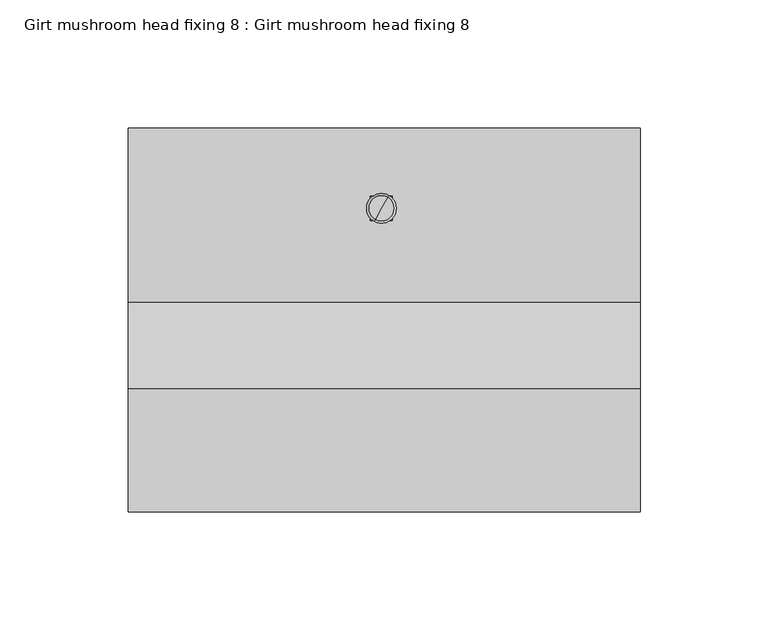
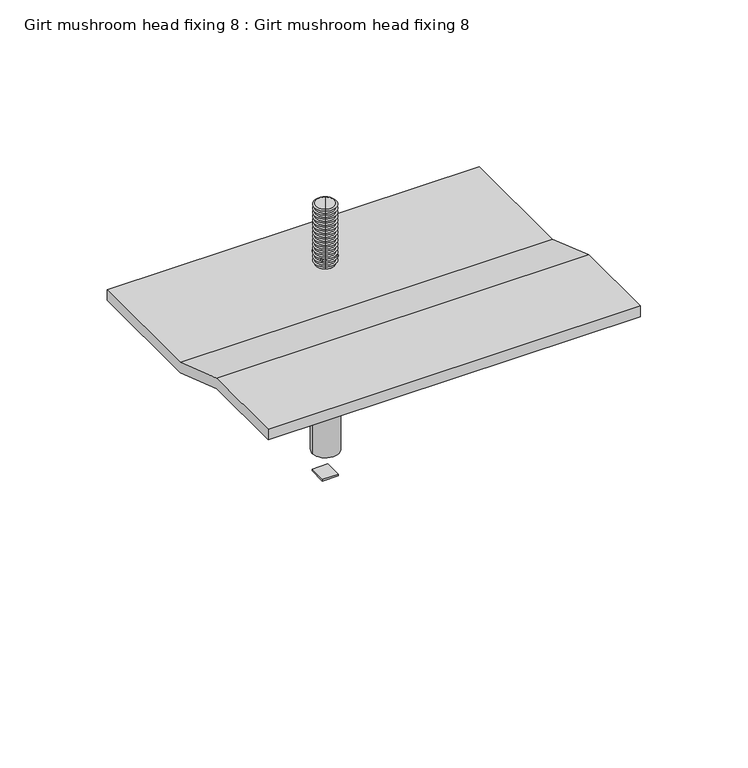
"""IFC4 building model written with IfcOpenShell, lengths in millimetres: proxy geometry, Girt mushroom head fixing 8 : Girt mushroom head fixing 8."""

from ifc_helpers import new_model, si_unit, frame, origin, place, context, project, spatial, polyline, circle_curve, outline, extrude, source, transform, mapped, element, save
from ifc_brep_helpers import plane_surface, cylinder_surface, revolved_surface, advanced_brep


def girt_mushroom_head_fixing_8_girt_mushroom_head_fixing_8_f14998fb(model_context):
    return source(origin(), model_context, "Body", "SolidModel", [
        advanced_brep(
        [(41.9059458, 4.3681823, 39.2693613), (36.0940542, -5.6983094, 39.2693613), (36.5, -4.9951905, 39.791923), (41.5, 3.6650635, 39.791923), (41.5, 3.6650635, 38.8006155), (36.5, -4.9951905, 38.8006155), (41.5, 3.6650635, 37.5216556), (36.5, -4.9951905, 37.5216556), (41.9059458, 4.3681823, 36.9990939), (36.0940542, -5.6983094, 36.9990939), (41.5, 3.6650635, 36.5303481), (36.5, -4.9951905, 36.5303481), (41.5, 3.6650635, 35.2513882), (36.5, -4.9951905, 35.2513882), (41.9059458, 4.3681823, 34.7288265), (36.0940542, -5.6983094, 34.7288265), (41.5, 3.6650635, 34.2600807), (36.5, -4.9951905, 34.2600807), (41.5, 3.6650635, 32.9811208), (36.5, -4.9951905, 32.9811208), (41.9059458, 4.3681823, 32.4585591), (36.0940542, -5.6983094, 32.4585591), (41.5, 3.6650635, 31.9898132), (36.5, -4.9951905, 31.9898132), (41.5, 3.6650635, 30.7108534), (36.5, -4.9951905, 30.7108534), (41.9059458, 4.3681823, 30.1882917), (36.0940542, -5.6983094, 30.1882917), (41.5, 3.6650635, 29.7195458), (36.5, -4.9951905, 29.7195458), (41.5, 3.6650635, 28.440586), (36.5, -4.9951905, 28.440586), (41.9059458, 4.3681823, 27.9180243), (36.0940542, -5.6983094, 27.9180243), (41.5, 3.6650635, 27.4492784), (36.5, -4.9951905, 27.4492784), (41.5, 3.6650635, 26.1703186), (36.5, -4.9951905, 26.1703186), (41.9059458, 4.3681823, 25.6477569), (36.0940542, -5.6983094, 25.6477569), (41.5, 3.6650635, 25.179011), (36.5, -4.9951905, 25.179011), (41.5, 3.6650635, 23.9000512), (36.5, -4.9951905, 23.9000512), (41.9059458, 4.3681823, 23.3774895), (36.0940542, -5.6983094, 23.3774895), (41.5, 3.6650635, 22.9087436), (36.5, -4.9951905, 22.9087436), (41.5, 3.6650635, 21.6297838), (36.5, -4.9951905, 21.6297838), (41.9059458, 4.3681823, 21.1072221), (36.0940542, -5.6983094, 21.1072221), (41.5, 3.6650635, 20.6384762), (36.5, -4.9951905, 20.6384762), (41.5, 3.6650635, 19.3595164), (36.5, -4.9951905, 19.3595164), (41.9059458, 4.3681823, 18.8369547), (36.0940542, -5.6983094, 18.8369547), (41.5, 3.6650635, 18.3682088), (36.5, -4.9951905, 18.3682088), (41.5, 3.6650635, 17.089249), (36.5, -4.9951905, 17.089249), (41.9059458, 4.3681823, 16.5666873), (36.0940542, -5.6983094, 16.5666873), (41.5, 3.6650635, 16.0979414), (36.5, -4.9951905, 16.0979414), (41.5, 3.6650635, 14.8189816), (36.5, -4.9951905, 14.8189816), (41.9059458, 4.3681823, 14.2964199), (36.0940542, -5.6983094, 14.2964199), (41.5, 3.6650635, 13.827674), (36.5, -4.9951905, 13.827674), (41.5, 3.6650635, 12.5487142), (36.5, -4.9951905, 12.5487142), (41.9059458, 4.3681823, 12.0261525), (36.0940542, -5.6983094, 12.0261525), (41.5, 3.6650635, 11.5574066), (36.5, -4.9951905, 11.5574066), (41.5, 3.6650635, 10.2784468), (36.5, -4.9951905, 10.2784468), (41.9059458, 4.3681823, 9.7558851), (36.0940542, -5.6983094, 9.7558851), (39.0, -0.6650635, 39.791923), (41.5, 3.6650635, 9.2871392), (36.5, -4.9951905, 9.2871392), (41.5, 3.6650635, 8.0081794), (36.5, -4.9951905, 8.0081794), (41.9059458, 4.3681823, 7.4856177), (36.0940542, -5.6983094, 7.4856177), (41.5, 3.6650635, 7.0168718), (36.5, -4.9951905, 7.0168718), (41.5, 3.6650635, 5.737912), (36.5, -4.9951905, 5.737912), (41.9059458, 4.3681823, 5.2153503), (36.0940542, -5.6983094, 5.2153503), (41.5, 3.6650635, 4.7466044), (36.5, -4.9951905, 4.7466044), (41.5, 3.6650635, 3.4676446), (36.5, -4.9951905, 3.4676446), (41.9059458, 4.3681823, 2.9450829), (36.0940542, -5.6983094, 2.9450829), (41.5, 3.6650635, 2.476337), (36.5, -4.9951905, 2.476337), (41.5, 3.6650635, 1.1973772), (36.5, -4.9951905, 1.1973772), (41.9059458, 4.3681823, 0.6748155), (36.0940542, -5.6983094, 0.6748155), (41.5, 3.6650635, 0.2060696), (36.5, -4.9951905, 0.2060696), (41.5, 3.6650635, -1.0728902), (36.5, -4.9951905, -1.0728902), (41.9059458, 4.3681823, -1.5954519), (36.0940542, -5.6983094, -1.5954519), (41.5, 3.6650635, -2.0641978), (36.5, -4.9951905, -2.0641978), (41.5, 3.6650635, -3.3431576), (36.5, -4.9951905, -3.3431576), (41.9059458, 4.3681823, -3.8657193), (36.0940542, -5.6983094, -3.8657193), (41.5, 3.6650635, -4.3344652), (36.5, -4.9951905, -4.3344652), (41.5, 3.6650635, -5.613425), (36.5, -4.9951905, -5.613425), (41.9059458, 4.3681823, -6.1359867), (36.0940542, -5.6983094, -6.1359867), (41.5, 3.6650635, -6.6047326), (36.5, -4.9951905, -6.6047326), (41.5, 3.6650635, -7.8836924), (36.5, -4.9951905, -7.8836924), (41.9059458, 4.3681823, -8.4062541), (36.0940542, -5.6983094, -8.4062541), (41.5, 3.6650635, -8.875), (36.5, -4.9951905, -8.875), (39.0, -0.6650635, -8.875)],
        [
            (0, 1, circle_curve(frame((39.0, -0.6650635, 39.2693613), z_axis=(0.0, 0.0, 1.0), x_axis=(-0.5000000000000034, -0.8660254037844367, 0.0)), 5.8118917)),
            (1, 2),
            (2, 3, circle_curve(frame((39.0, -0.6650635, 39.791923), z_axis=(0.0, 0.0, -1.0), x_axis=(-0.5000000000000034, -0.8660254037844367, 0.0)), 5.0)),
            (3, 0),
            (1, 0, circle_curve(frame((39.0, -0.6650635, 39.2693613), z_axis=(0.0, 0.0, 1.0), x_axis=(-0.5000000000000034, -0.8660254037844367, 0.0)), 5.8118917)),
            (3, 2, circle_curve(frame((39.0, -0.6650635, 39.791923), z_axis=(0.0, 0.0, -1.0), x_axis=(-0.5000000000000034, -0.8660254037844367, 0.0)), 5.0)),
            (4, 5, circle_curve(frame((39.0, -0.6650635, 38.8006155), z_axis=(0.0, 0.0, 1.0), x_axis=(-0.5000000000000034, -0.8660254037844367, 0.0)), 5.0)),
            (5, 1),
            (0, 4),
            (5, 4, circle_curve(frame((39.0, -0.6650635, 38.8006155), z_axis=(0.0, 0.0, 1.0), x_axis=(-0.5000000000000034, -0.8660254037844367, 0.0)), 5.0)),
            (6, 7, circle_curve(frame((39.0, -0.6650635, 37.5216556), z_axis=(0.0, 0.0, 1.0), x_axis=(-0.5000000000000034, -0.8660254037844367, 0.0)), 5.0)),
            (7, 5),
            (4, 6),
            (7, 6, circle_curve(frame((39.0, -0.6650635, 37.5216556), z_axis=(0.0, 0.0, 1.0), x_axis=(-0.5000000000000034, -0.8660254037844367, 0.0)), 5.0)),
            (8, 9, circle_curve(frame((39.0, -0.6650635, 36.9990939), z_axis=(0.0, 0.0, 1.0), x_axis=(-0.5000000000000034, -0.8660254037844367, 0.0)), 5.8118917)),
            (9, 7),
            (6, 8),
            (9, 8, circle_curve(frame((39.0, -0.6650635, 36.9990939), z_axis=(0.0, 0.0, 1.0), x_axis=(-0.5000000000000034, -0.8660254037844367, 0.0)), 5.8118917)),
            (10, 11, circle_curve(frame((39.0, -0.6650635, 36.5303481), z_axis=(0.0, 0.0, 1.0), x_axis=(-0.5000000000000034, -0.8660254037844367, 0.0)), 5.0)),
            (11, 9),
            (8, 10),
            (11, 10, circle_curve(frame((39.0, -0.6650635, 36.5303481), z_axis=(0.0, 0.0, 1.0), x_axis=(-0.5000000000000034, -0.8660254037844367, 0.0)), 5.0)),
            (12, 13, circle_curve(frame((39.0, -0.6650635, 35.2513882), z_axis=(0.0, 0.0, 1.0), x_axis=(-0.5000000000000034, -0.8660254037844367, 0.0)), 5.0)),
            (13, 11),
            (10, 12),
            (13, 12, circle_curve(frame((39.0, -0.6650635, 35.2513882), z_axis=(0.0, 0.0, 1.0), x_axis=(-0.5000000000000034, -0.8660254037844367, 0.0)), 5.0)),
            (14, 15, circle_curve(frame((39.0, -0.6650635, 34.7288265), z_axis=(0.0, 0.0, 1.0), x_axis=(-0.5000000000000034, -0.8660254037844367, 0.0)), 5.8118917)),
            (15, 13),
            (12, 14),
            (15, 14, circle_curve(frame((39.0, -0.6650635, 34.7288265), z_axis=(0.0, 0.0, 1.0), x_axis=(-0.5000000000000034, -0.8660254037844367, 0.0)), 5.8118917)),
            (16, 17, circle_curve(frame((39.0, -0.6650635, 34.2600807), z_axis=(0.0, 0.0, 1.0), x_axis=(-0.5000000000000034, -0.8660254037844367, 0.0)), 5.0)),
            (17, 15),
            (14, 16),
            (17, 16, circle_curve(frame((39.0, -0.6650635, 34.2600807), z_axis=(0.0, 0.0, 1.0), x_axis=(-0.5000000000000034, -0.8660254037844367, 0.0)), 5.0)),
            (18, 19, circle_curve(frame((39.0, -0.6650635, 32.9811208), z_axis=(0.0, 0.0, 1.0), x_axis=(-0.5000000000000034, -0.8660254037844367, 0.0)), 5.0)),
            (19, 17),
            (16, 18),
            (19, 18, circle_curve(frame((39.0, -0.6650635, 32.9811208), z_axis=(0.0, 0.0, 1.0), x_axis=(-0.5000000000000034, -0.8660254037844367, 0.0)), 5.0)),
            (20, 21, circle_curve(frame((39.0, -0.6650635, 32.4585591), z_axis=(0.0, 0.0, 1.0), x_axis=(-0.5000000000000034, -0.8660254037844367, 0.0)), 5.8118917)),
            (21, 19),
            (18, 20),
            (21, 20, circle_curve(frame((39.0, -0.6650635, 32.4585591), z_axis=(0.0, 0.0, 1.0), x_axis=(-0.5000000000000034, -0.8660254037844367, 0.0)), 5.8118917)),
            (22, 23, circle_curve(frame((39.0, -0.6650635, 31.9898132), z_axis=(0.0, 0.0, 1.0), x_axis=(-0.5000000000000034, -0.8660254037844367, 0.0)), 5.0)),
            (23, 21),
            (20, 22),
            (23, 22, circle_curve(frame((39.0, -0.6650635, 31.9898132), z_axis=(0.0, 0.0, 1.0), x_axis=(-0.5000000000000034, -0.8660254037844367, 0.0)), 5.0)),
            (24, 25, circle_curve(frame((39.0, -0.6650635, 30.7108534), z_axis=(0.0, 0.0, 1.0), x_axis=(-0.5000000000000034, -0.8660254037844367, 0.0)), 5.0)),
            (25, 23),
            (22, 24),
            (25, 24, circle_curve(frame((39.0, -0.6650635, 30.7108534), z_axis=(0.0, 0.0, 1.0), x_axis=(-0.5000000000000034, -0.8660254037844367, 0.0)), 5.0)),
            (26, 27, circle_curve(frame((39.0, -0.6650635, 30.1882917), z_axis=(0.0, 0.0, 1.0), x_axis=(-0.5000000000000034, -0.8660254037844367, 0.0)), 5.8118917)),
            (27, 25),
            (24, 26),
            (27, 26, circle_curve(frame((39.0, -0.6650635, 30.1882917), z_axis=(0.0, 0.0, 1.0), x_axis=(-0.5000000000000034, -0.8660254037844367, 0.0)), 5.8118917)),
            (28, 29, circle_curve(frame((39.0, -0.6650635, 29.7195458), z_axis=(0.0, 0.0, 1.0), x_axis=(-0.5000000000000034, -0.8660254037844367, 0.0)), 5.0)),
            (29, 27),
            (26, 28),
            (29, 28, circle_curve(frame((39.0, -0.6650635, 29.7195458), z_axis=(0.0, 0.0, 1.0), x_axis=(-0.5000000000000034, -0.8660254037844367, 0.0)), 5.0)),
            (30, 31, circle_curve(frame((39.0, -0.6650635, 28.440586), z_axis=(0.0, 0.0, 1.0), x_axis=(-0.5000000000000034, -0.8660254037844367, 0.0)), 5.0)),
            (31, 29),
            (28, 30),
            (31, 30, circle_curve(frame((39.0, -0.6650635, 28.440586), z_axis=(0.0, 0.0, 1.0), x_axis=(-0.5000000000000034, -0.8660254037844367, 0.0)), 5.0)),
            (32, 33, circle_curve(frame((39.0, -0.6650635, 27.9180243), z_axis=(0.0, 0.0, 1.0), x_axis=(-0.5000000000000034, -0.8660254037844367, 0.0)), 5.8118917)),
            (33, 31),
            (30, 32),
            (33, 32, circle_curve(frame((39.0, -0.6650635, 27.9180243), z_axis=(0.0, 0.0, 1.0), x_axis=(-0.5000000000000034, -0.8660254037844367, 0.0)), 5.8118917)),
            (34, 35, circle_curve(frame((39.0, -0.6650635, 27.4492784), z_axis=(0.0, 0.0, 1.0), x_axis=(-0.5000000000000034, -0.8660254037844367, 0.0)), 5.0)),
            (35, 33),
            (32, 34),
            (35, 34, circle_curve(frame((39.0, -0.6650635, 27.4492784), z_axis=(0.0, 0.0, 1.0), x_axis=(-0.5000000000000034, -0.8660254037844367, 0.0)), 5.0)),
            (36, 37, circle_curve(frame((39.0, -0.6650635, 26.1703186), z_axis=(0.0, 0.0, 1.0), x_axis=(-0.5000000000000034, -0.8660254037844367, 0.0)), 5.0)),
            (37, 35),
            (34, 36),
            (37, 36, circle_curve(frame((39.0, -0.6650635, 26.1703186), z_axis=(0.0, 0.0, 1.0), x_axis=(-0.5000000000000034, -0.8660254037844367, 0.0)), 5.0)),
            (38, 39, circle_curve(frame((39.0, -0.6650635, 25.6477569), z_axis=(0.0, 0.0, 1.0), x_axis=(-0.5000000000000034, -0.8660254037844367, 0.0)), 5.8118917)),
            (39, 37),
            (36, 38),
            (39, 38, circle_curve(frame((39.0, -0.6650635, 25.6477569), z_axis=(0.0, 0.0, 1.0), x_axis=(-0.5000000000000034, -0.8660254037844367, 0.0)), 5.8118917)),
            (40, 41, circle_curve(frame((39.0, -0.6650635, 25.179011), z_axis=(0.0, 0.0, 1.0), x_axis=(-0.5000000000000034, -0.8660254037844367, 0.0)), 5.0)),
            (41, 39),
            (38, 40),
            (41, 40, circle_curve(frame((39.0, -0.6650635, 25.179011), z_axis=(0.0, 0.0, 1.0), x_axis=(-0.5000000000000034, -0.8660254037844367, 0.0)), 5.0)),
            (42, 43, circle_curve(frame((39.0, -0.6650635, 23.9000512), z_axis=(0.0, 0.0, 1.0), x_axis=(-0.5000000000000034, -0.8660254037844367, 0.0)), 5.0)),
            (43, 41),
            (40, 42),
            (43, 42, circle_curve(frame((39.0, -0.6650635, 23.9000512), z_axis=(0.0, 0.0, 1.0), x_axis=(-0.5000000000000034, -0.8660254037844367, 0.0)), 5.0)),
            (44, 45, circle_curve(frame((39.0, -0.6650635, 23.3774895), z_axis=(0.0, 0.0, 1.0), x_axis=(-0.5000000000000034, -0.8660254037844367, 0.0)), 5.8118917)),
            (45, 43),
            (42, 44),
            (45, 44, circle_curve(frame((39.0, -0.6650635, 23.3774895), z_axis=(0.0, 0.0, 1.0), x_axis=(-0.5000000000000034, -0.8660254037844367, 0.0)), 5.8118917)),
            (46, 47, circle_curve(frame((39.0, -0.6650635, 22.9087436), z_axis=(0.0, 0.0, 1.0), x_axis=(-0.5000000000000034, -0.8660254037844367, 0.0)), 5.0)),
            (47, 45),
            (44, 46),
            (47, 46, circle_curve(frame((39.0, -0.6650635, 22.9087436), z_axis=(0.0, 0.0, 1.0), x_axis=(-0.5000000000000034, -0.8660254037844367, 0.0)), 5.0)),
            (48, 49, circle_curve(frame((39.0, -0.6650635, 21.6297838), z_axis=(0.0, 0.0, 1.0), x_axis=(-0.5000000000000034, -0.8660254037844367, 0.0)), 5.0)),
            (49, 47),
            (46, 48),
            (49, 48, circle_curve(frame((39.0, -0.6650635, 21.6297838), z_axis=(0.0, 0.0, 1.0), x_axis=(-0.5000000000000034, -0.8660254037844367, 0.0)), 5.0)),
            (50, 51, circle_curve(frame((39.0, -0.6650635, 21.1072221), z_axis=(0.0, 0.0, 1.0), x_axis=(-0.5000000000000034, -0.8660254037844367, 0.0)), 5.8118917)),
            (51, 49),
            (48, 50),
            (51, 50, circle_curve(frame((39.0, -0.6650635, 21.1072221), z_axis=(0.0, 0.0, 1.0), x_axis=(-0.5000000000000034, -0.8660254037844367, 0.0)), 5.8118917)),
            (52, 53, circle_curve(frame((39.0, -0.6650635, 20.6384762), z_axis=(0.0, 0.0, 1.0), x_axis=(-0.5000000000000034, -0.8660254037844367, 0.0)), 5.0)),
            (53, 51),
            (50, 52),
            (53, 52, circle_curve(frame((39.0, -0.6650635, 20.6384762), z_axis=(0.0, 0.0, 1.0), x_axis=(-0.5000000000000034, -0.8660254037844367, 0.0)), 5.0)),
            (54, 55, circle_curve(frame((39.0, -0.6650635, 19.3595164), z_axis=(0.0, 0.0, 1.0), x_axis=(-0.5000000000000034, -0.8660254037844367, 0.0)), 5.0)),
            (55, 53),
            (52, 54),
            (55, 54, circle_curve(frame((39.0, -0.6650635, 19.3595164), z_axis=(0.0, 0.0, 1.0), x_axis=(-0.5000000000000034, -0.8660254037844367, 0.0)), 5.0)),
            (56, 57, circle_curve(frame((39.0, -0.6650635, 18.8369547), z_axis=(0.0, 0.0, 1.0), x_axis=(-0.5000000000000034, -0.8660254037844367, 0.0)), 5.8118917)),
            (57, 55),
            (54, 56),
            (57, 56, circle_curve(frame((39.0, -0.6650635, 18.8369547), z_axis=(0.0, 0.0, 1.0), x_axis=(-0.5000000000000034, -0.8660254037844367, 0.0)), 5.8118917)),
            (58, 59, circle_curve(frame((39.0, -0.6650635, 18.3682088), z_axis=(0.0, 0.0, 1.0), x_axis=(-0.5000000000000034, -0.8660254037844367, 0.0)), 5.0)),
            (59, 57),
            (56, 58),
            (59, 58, circle_curve(frame((39.0, -0.6650635, 18.3682088), z_axis=(0.0, 0.0, 1.0), x_axis=(-0.5000000000000034, -0.8660254037844367, 0.0)), 5.0)),
            (60, 61, circle_curve(frame((39.0, -0.6650635, 17.089249), z_axis=(0.0, 0.0, 1.0), x_axis=(-0.5000000000000034, -0.8660254037844367, 0.0)), 5.0)),
            (61, 59),
            (58, 60),
            (61, 60, circle_curve(frame((39.0, -0.6650635, 17.089249), z_axis=(0.0, 0.0, 1.0), x_axis=(-0.5000000000000034, -0.8660254037844367, 0.0)), 5.0)),
            (62, 63, circle_curve(frame((39.0, -0.6650635, 16.5666873), z_axis=(0.0, 0.0, 1.0), x_axis=(-0.5000000000000034, -0.8660254037844367, 0.0)), 5.8118917)),
            (63, 61),
            (60, 62),
            (63, 62, circle_curve(frame((39.0, -0.6650635, 16.5666873), z_axis=(0.0, 0.0, 1.0), x_axis=(-0.5000000000000034, -0.8660254037844367, 0.0)), 5.8118917)),
            (64, 65, circle_curve(frame((39.0, -0.6650635, 16.0979414), z_axis=(0.0, 0.0, 1.0), x_axis=(-0.5000000000000034, -0.8660254037844367, 0.0)), 5.0)),
            (65, 63),
            (62, 64),
            (65, 64, circle_curve(frame((39.0, -0.6650635, 16.0979414), z_axis=(0.0, 0.0, 1.0), x_axis=(-0.5000000000000034, -0.8660254037844367, 0.0)), 5.0)),
            (66, 67, circle_curve(frame((39.0, -0.6650635, 14.8189816), z_axis=(0.0, 0.0, 1.0), x_axis=(-0.5000000000000034, -0.8660254037844367, 0.0)), 5.0)),
            (67, 65),
            (64, 66),
            (67, 66, circle_curve(frame((39.0, -0.6650635, 14.8189816), z_axis=(0.0, 0.0, 1.0), x_axis=(-0.5000000000000034, -0.8660254037844367, 0.0)), 5.0)),
            (68, 69, circle_curve(frame((39.0, -0.6650635, 14.2964199), z_axis=(0.0, 0.0, 1.0), x_axis=(-0.5000000000000034, -0.8660254037844367, 0.0)), 5.8118917)),
            (69, 67),
            (66, 68),
            (69, 68, circle_curve(frame((39.0, -0.6650635, 14.2964199), z_axis=(0.0, 0.0, 1.0), x_axis=(-0.5000000000000034, -0.8660254037844367, 0.0)), 5.8118917)),
            (70, 71, circle_curve(frame((39.0, -0.6650635, 13.827674), z_axis=(0.0, 0.0, 1.0), x_axis=(-0.5000000000000034, -0.8660254037844367, 0.0)), 5.0)),
            (71, 69),
            (68, 70),
            (71, 70, circle_curve(frame((39.0, -0.6650635, 13.827674), z_axis=(0.0, 0.0, 1.0), x_axis=(-0.5000000000000034, -0.8660254037844367, 0.0)), 5.0)),
            (72, 73, circle_curve(frame((39.0, -0.6650635, 12.5487142), z_axis=(0.0, 0.0, 1.0), x_axis=(-0.5000000000000034, -0.8660254037844367, 0.0)), 5.0)),
            (73, 71),
            (70, 72),
            (73, 72, circle_curve(frame((39.0, -0.6650635, 12.5487142), z_axis=(0.0, 0.0, 1.0), x_axis=(-0.5000000000000034, -0.8660254037844367, 0.0)), 5.0)),
            (74, 75, circle_curve(frame((39.0, -0.6650635, 12.0261525), z_axis=(0.0, 0.0, 1.0), x_axis=(-0.5000000000000034, -0.8660254037844367, 0.0)), 5.8118917)),
            (75, 73),
            (72, 74),
            (75, 74, circle_curve(frame((39.0, -0.6650635, 12.0261525), z_axis=(0.0, 0.0, 1.0), x_axis=(-0.5000000000000034, -0.8660254037844367, 0.0)), 5.8118917)),
            (76, 77, circle_curve(frame((39.0, -0.6650635, 11.5574066), z_axis=(0.0, 0.0, 1.0), x_axis=(-0.5000000000000034, -0.8660254037844367, 0.0)), 5.0)),
            (77, 75),
            (74, 76),
            (77, 76, circle_curve(frame((39.0, -0.6650635, 11.5574066), z_axis=(0.0, 0.0, 1.0), x_axis=(-0.5000000000000034, -0.8660254037844367, 0.0)), 5.0)),
            (78, 79, circle_curve(frame((39.0, -0.6650635, 10.2784468), z_axis=(0.0, 0.0, 1.0), x_axis=(-0.5000000000000034, -0.8660254037844367, 0.0)), 5.0)),
            (79, 77),
            (76, 78),
            (79, 78, circle_curve(frame((39.0, -0.6650635, 10.2784468), z_axis=(0.0, 0.0, 1.0), x_axis=(-0.5000000000000034, -0.8660254037844367, 0.0)), 5.0)),
            (80, 81, circle_curve(frame((39.0, -0.6650635, 9.7558851), z_axis=(0.0, 0.0, 1.0), x_axis=(-0.5000000000000034, -0.8660254037844367, 0.0)), 5.8118917)),
            (81, 79),
            (78, 80),
            (81, 80, circle_curve(frame((39.0, -0.6650635, 9.7558851), z_axis=(0.0, 0.0, 1.0), x_axis=(-0.5000000000000034, -0.8660254037844367, 0.0)), 5.8118917)),
            (2, 82),
            (82, 3),
            (83, 84, circle_curve(frame((39.0, -0.6650635, 9.2871392), z_axis=(0.0, 0.0, 1.0), x_axis=(-0.5000000000000034, -0.8660254037844367, 0.0)), 5.0)),
            (84, 81),
            (80, 83),
            (84, 83, circle_curve(frame((39.0, -0.6650635, 9.2871392), z_axis=(0.0, 0.0, 1.0), x_axis=(-0.5000000000000034, -0.8660254037844367, 0.0)), 5.0)),
            (85, 86, circle_curve(frame((39.0, -0.6650635, 8.0081794), z_axis=(0.0, 0.0, 1.0), x_axis=(-0.5000000000000034, -0.8660254037844367, 0.0)), 5.0)),
            (86, 84),
            (83, 85),
            (86, 85, circle_curve(frame((39.0, -0.6650635, 8.0081794), z_axis=(0.0, 0.0, 1.0), x_axis=(-0.5000000000000034, -0.8660254037844367, 0.0)), 5.0)),
            (87, 88, circle_curve(frame((39.0, -0.6650635, 7.4856177), z_axis=(0.0, 0.0, 1.0), x_axis=(-0.5000000000000034, -0.8660254037844367, 0.0)), 5.8118917)),
            (88, 86),
            (85, 87),
            (88, 87, circle_curve(frame((39.0, -0.6650635, 7.4856177), z_axis=(0.0, 0.0, 1.0), x_axis=(-0.5000000000000034, -0.8660254037844367, 0.0)), 5.8118917)),
            (89, 90, circle_curve(frame((39.0, -0.6650635, 7.0168718), z_axis=(0.0, 0.0, 1.0), x_axis=(-0.5000000000000034, -0.8660254037844367, 0.0)), 5.0)),
            (90, 88),
            (87, 89),
            (90, 89, circle_curve(frame((39.0, -0.6650635, 7.0168718), z_axis=(0.0, 0.0, 1.0), x_axis=(-0.5000000000000034, -0.8660254037844367, 0.0)), 5.0)),
            (91, 92, circle_curve(frame((39.0, -0.6650635, 5.737912), z_axis=(0.0, 0.0, 1.0), x_axis=(-0.5000000000000034, -0.8660254037844367, 0.0)), 5.0)),
            (92, 90),
            (89, 91),
            (92, 91, circle_curve(frame((39.0, -0.6650635, 5.737912), z_axis=(0.0, 0.0, 1.0), x_axis=(-0.5000000000000034, -0.8660254037844367, 0.0)), 5.0)),
            (93, 94, circle_curve(frame((39.0, -0.6650635, 5.2153503), z_axis=(0.0, 0.0, 1.0), x_axis=(-0.5000000000000034, -0.8660254037844367, 0.0)), 5.8118917)),
            (94, 92),
            (91, 93),
            (94, 93, circle_curve(frame((39.0, -0.6650635, 5.2153503), z_axis=(0.0, 0.0, 1.0), x_axis=(-0.5000000000000034, -0.8660254037844367, 0.0)), 5.8118917)),
            (95, 96, circle_curve(frame((39.0, -0.6650635, 4.7466044), z_axis=(0.0, 0.0, 1.0), x_axis=(-0.5000000000000034, -0.8660254037844367, 0.0)), 5.0)),
            (96, 94),
            (93, 95),
            (96, 95, circle_curve(frame((39.0, -0.6650635, 4.7466044), z_axis=(0.0, 0.0, 1.0), x_axis=(-0.5000000000000034, -0.8660254037844367, 0.0)), 5.0)),
            (97, 98, circle_curve(frame((39.0, -0.6650635, 3.4676446), z_axis=(0.0, 0.0, 1.0), x_axis=(-0.5000000000000034, -0.8660254037844367, 0.0)), 5.0)),
            (98, 96),
            (95, 97),
            (98, 97, circle_curve(frame((39.0, -0.6650635, 3.4676446), z_axis=(0.0, 0.0, 1.0), x_axis=(-0.5000000000000034, -0.8660254037844367, 0.0)), 5.0)),
            (99, 100, circle_curve(frame((39.0, -0.6650635, 2.9450829), z_axis=(0.0, 0.0, 1.0), x_axis=(-0.5000000000000034, -0.8660254037844367, 0.0)), 5.8118917)),
            (100, 98),
            (97, 99),
            (100, 99, circle_curve(frame((39.0, -0.6650635, 2.9450829), z_axis=(0.0, 0.0, 1.0), x_axis=(-0.5000000000000034, -0.8660254037844367, 0.0)), 5.8118917)),
            (101, 102, circle_curve(frame((39.0, -0.6650635, 2.476337), z_axis=(0.0, 0.0, 1.0), x_axis=(-0.5000000000000034, -0.8660254037844367, 0.0)), 5.0)),
            (102, 100),
            (99, 101),
            (102, 101, circle_curve(frame((39.0, -0.6650635, 2.476337), z_axis=(0.0, 0.0, 1.0), x_axis=(-0.5000000000000034, -0.8660254037844367, 0.0)), 5.0)),
            (103, 104, circle_curve(frame((39.0, -0.6650635, 1.1973772), z_axis=(0.0, 0.0, 1.0), x_axis=(-0.5000000000000034, -0.8660254037844367, 0.0)), 5.0)),
            (104, 102),
            (101, 103),
            (104, 103, circle_curve(frame((39.0, -0.6650635, 1.1973772), z_axis=(0.0, 0.0, 1.0), x_axis=(-0.5000000000000034, -0.8660254037844367, 0.0)), 5.0)),
            (105, 106, circle_curve(frame((39.0, -0.6650635, 0.6748155), z_axis=(0.0, 0.0, 1.0), x_axis=(-0.5000000000000034, -0.8660254037844367, 0.0)), 5.8118917)),
            (106, 104),
            (103, 105),
            (106, 105, circle_curve(frame((39.0, -0.6650635, 0.6748155), z_axis=(0.0, 0.0, 1.0), x_axis=(-0.5000000000000034, -0.8660254037844367, 0.0)), 5.8118917)),
            (107, 108, circle_curve(frame((39.0, -0.6650635, 0.2060696), z_axis=(0.0, 0.0, 1.0), x_axis=(-0.5000000000000034, -0.8660254037844367, 0.0)), 5.0)),
            (108, 106),
            (105, 107),
            (108, 107, circle_curve(frame((39.0, -0.6650635, 0.2060696), z_axis=(0.0, 0.0, 1.0), x_axis=(-0.5000000000000034, -0.8660254037844367, 0.0)), 5.0)),
            (109, 110, circle_curve(frame((39.0, -0.6650635, -1.0728902), z_axis=(0.0, 0.0, 1.0), x_axis=(-0.5000000000000034, -0.8660254037844367, 0.0)), 5.0)),
            (110, 108),
            (107, 109),
            (110, 109, circle_curve(frame((39.0, -0.6650635, -1.0728902), z_axis=(0.0, 0.0, 1.0), x_axis=(-0.5000000000000034, -0.8660254037844367, 0.0)), 5.0)),
            (111, 112, circle_curve(frame((39.0, -0.6650635, -1.5954519), z_axis=(0.0, 0.0, 1.0), x_axis=(-0.5000000000000034, -0.8660254037844367, 0.0)), 5.8118917)),
            (112, 110),
            (109, 111),
            (112, 111, circle_curve(frame((39.0, -0.6650635, -1.5954519), z_axis=(0.0, 0.0, 1.0), x_axis=(-0.5000000000000034, -0.8660254037844367, 0.0)), 5.8118917)),
            (113, 114, circle_curve(frame((39.0, -0.6650635, -2.0641978), z_axis=(0.0, 0.0, 1.0), x_axis=(-0.5000000000000034, -0.8660254037844367, 0.0)), 5.0)),
            (114, 112),
            (111, 113),
            (114, 113, circle_curve(frame((39.0, -0.6650635, -2.0641978), z_axis=(0.0, 0.0, 1.0), x_axis=(-0.5000000000000034, -0.8660254037844367, 0.0)), 5.0)),
            (115, 116, circle_curve(frame((39.0, -0.6650635, -3.3431576), z_axis=(0.0, 0.0, 1.0), x_axis=(-0.5000000000000034, -0.8660254037844367, 0.0)), 5.0)),
            (116, 114),
            (113, 115),
            (116, 115, circle_curve(frame((39.0, -0.6650635, -3.3431576), z_axis=(0.0, 0.0, 1.0), x_axis=(-0.5000000000000034, -0.8660254037844367, 0.0)), 5.0)),
            (117, 118, circle_curve(frame((39.0, -0.6650635, -3.8657193), z_axis=(0.0, 0.0, 1.0), x_axis=(-0.5000000000000034, -0.8660254037844367, 0.0)), 5.8118917)),
            (118, 116),
            (115, 117),
            (118, 117, circle_curve(frame((39.0, -0.6650635, -3.8657193), z_axis=(0.0, 0.0, 1.0), x_axis=(-0.5000000000000034, -0.8660254037844367, 0.0)), 5.8118917)),
            (119, 120, circle_curve(frame((39.0, -0.6650635, -4.3344652), z_axis=(0.0, 0.0, 1.0), x_axis=(-0.5000000000000034, -0.8660254037844367, 0.0)), 5.0)),
            (120, 118),
            (117, 119),
            (120, 119, circle_curve(frame((39.0, -0.6650635, -4.3344652), z_axis=(0.0, 0.0, 1.0), x_axis=(-0.5000000000000034, -0.8660254037844367, 0.0)), 5.0)),
            (121, 122, circle_curve(frame((39.0, -0.6650635, -5.613425), z_axis=(0.0, 0.0, 1.0), x_axis=(-0.5000000000000034, -0.8660254037844367, 0.0)), 5.0)),
            (122, 120),
            (119, 121),
            (122, 121, circle_curve(frame((39.0, -0.6650635, -5.613425), z_axis=(0.0, 0.0, 1.0), x_axis=(-0.5000000000000034, -0.8660254037844367, 0.0)), 5.0)),
            (123, 124, circle_curve(frame((39.0, -0.6650635, -6.1359867), z_axis=(0.0, 0.0, 1.0), x_axis=(-0.5000000000000034, -0.8660254037844367, 0.0)), 5.8118917)),
            (124, 122),
            (121, 123),
            (124, 123, circle_curve(frame((39.0, -0.6650635, -6.1359867), z_axis=(0.0, 0.0, 1.0), x_axis=(-0.5000000000000034, -0.8660254037844367, 0.0)), 5.8118917)),
            (125, 126, circle_curve(frame((39.0, -0.6650635, -6.6047326), z_axis=(0.0, 0.0, 1.0), x_axis=(-0.5000000000000034, -0.8660254037844367, 0.0)), 5.0)),
            (126, 124),
            (123, 125),
            (126, 125, circle_curve(frame((39.0, -0.6650635, -6.6047326), z_axis=(0.0, 0.0, 1.0), x_axis=(-0.5000000000000034, -0.8660254037844367, 0.0)), 5.0)),
            (127, 128, circle_curve(frame((39.0, -0.6650635, -7.8836924), z_axis=(0.0, 0.0, 1.0), x_axis=(-0.5000000000000034, -0.8660254037844367, 0.0)), 5.0)),
            (128, 126),
            (125, 127),
            (128, 127, circle_curve(frame((39.0, -0.6650635, -7.8836924), z_axis=(0.0, 0.0, 1.0), x_axis=(-0.5000000000000034, -0.8660254037844367, 0.0)), 5.0)),
            (129, 130, circle_curve(frame((39.0, -0.6650635, -8.4062541), z_axis=(0.0, 0.0, 1.0), x_axis=(-0.5000000000000034, -0.8660254037844367, 0.0)), 5.8118917)),
            (130, 128),
            (127, 129),
            (130, 129, circle_curve(frame((39.0, -0.6650635, -8.4062541), z_axis=(0.0, 0.0, 1.0), x_axis=(-0.5000000000000034, -0.8660254037844367, 0.0)), 5.8118917)),
            (131, 132, circle_curve(frame((39.0, -0.6650635, -8.875), z_axis=(0.0, 0.0, 1.0), x_axis=(-0.5000000000000034, -0.8660254037844367, 0.0)), 5.0)),
            (132, 130),
            (129, 131),
            (132, 131, circle_curve(frame((39.0, -0.6650635, -8.875), z_axis=(0.0, 0.0, 1.0), x_axis=(-0.5000000000000034, -0.8660254037844367, 0.0)), 5.0)),
            (133, 132),
            (131, 133),
        ],
        [
            revolved_surface(polyline([(36.5, -4.9951905, 39.791923), (36.0940542, -5.6983094, 39.2693613)]), (39.0, -0.6650635, -31.4023349), (0.0, 0.0, -1.0)),
            revolved_surface(polyline([(36.0940542, -5.6983094, 39.2693613), (36.5, -4.9951905, 38.8006155)]), (39.0, -0.6650635, -31.4023349), (0.0, 0.0, -1.0)),
            cylinder_surface(frame((39.0, -0.6650635, -31.4023349), z_axis=(0.0, 0.0, -1.0), x_axis=(-0.5000000000000034, -0.8660254037844367, 0.0)), 5.0),
            revolved_surface(polyline([(36.5, -4.9951905, 37.5216556), (36.0940542, -5.6983094, 36.9990939)]), (39.0, -0.6650635, -31.4023349), (0.0, 0.0, -1.0)),
            revolved_surface(polyline([(36.0940542, -5.6983094, 36.9990939), (36.5, -4.9951905, 36.5303481)]), (39.0, -0.6650635, -31.4023349), (0.0, 0.0, -1.0)),
            revolved_surface(polyline([(36.5, -4.9951905, 35.2513882), (36.0940542, -5.6983094, 34.7288265)]), (39.0, -0.6650635, -31.4023349), (0.0, 0.0, -1.0)),
            revolved_surface(polyline([(36.0940542, -5.6983094, 34.7288265), (36.5, -4.9951905, 34.2600807)]), (39.0, -0.6650635, -31.4023349), (0.0, 0.0, -1.0)),
            revolved_surface(polyline([(36.5, -4.9951905, 32.9811208), (36.0940542, -5.6983094, 32.4585591)]), (39.0, -0.6650635, -31.4023349), (0.0, 0.0, -1.0)),
            revolved_surface(polyline([(36.0940542, -5.6983094, 32.4585591), (36.5, -4.9951905, 31.9898132)]), (39.0, -0.6650635, -31.4023349), (0.0, 0.0, -1.0)),
            revolved_surface(polyline([(36.5, -4.9951905, 30.7108534), (36.0940542, -5.6983094, 30.1882917)]), (39.0, -0.6650635, -31.4023349), (0.0, 0.0, -1.0)),
            revolved_surface(polyline([(36.0940542, -5.6983094, 30.1882917), (36.5, -4.9951905, 29.7195458)]), (39.0, -0.6650635, -31.4023349), (0.0, 0.0, -1.0)),
            revolved_surface(polyline([(36.5, -4.9951905, 28.440586), (36.0940542, -5.6983094, 27.9180243)]), (39.0, -0.6650635, -31.4023349), (0.0, 0.0, -1.0)),
            revolved_surface(polyline([(36.0940542, -5.6983094, 27.9180243), (36.5, -4.9951905, 27.4492784)]), (39.0, -0.6650635, -31.4023349), (0.0, 0.0, -1.0)),
            revolved_surface(polyline([(36.5, -4.9951905, 26.1703186), (36.0940542, -5.6983094, 25.6477569)]), (39.0, -0.6650635, -31.4023349), (0.0, 0.0, -1.0)),
            revolved_surface(polyline([(36.0940542, -5.6983094, 25.6477569), (36.5, -4.9951905, 25.179011)]), (39.0, -0.6650635, -31.4023349), (0.0, 0.0, -1.0)),
            revolved_surface(polyline([(36.5, -4.9951905, 23.9000512), (36.0940542, -5.6983094, 23.3774895)]), (39.0, -0.6650635, -31.4023349), (0.0, 0.0, -1.0)),
            revolved_surface(polyline([(36.0940542, -5.6983094, 23.3774895), (36.5, -4.9951905, 22.9087436)]), (39.0, -0.6650635, -31.4023349), (0.0, 0.0, -1.0)),
            revolved_surface(polyline([(36.5, -4.9951905, 21.6297838), (36.0940542, -5.6983094, 21.1072221)]), (39.0, -0.6650635, -31.4023349), (0.0, 0.0, -1.0)),
            revolved_surface(polyline([(36.0940542, -5.6983094, 21.1072221), (36.5, -4.9951905, 20.6384762)]), (39.0, -0.6650635, -31.4023349), (0.0, 0.0, -1.0)),
            revolved_surface(polyline([(36.5, -4.9951905, 19.3595164), (36.0940542, -5.6983094, 18.8369547)]), (39.0, -0.6650635, -31.4023349), (0.0, 0.0, -1.0)),
            revolved_surface(polyline([(36.0940542, -5.6983094, 18.8369547), (36.5, -4.9951905, 18.3682088)]), (39.0, -0.6650635, -31.4023349), (0.0, 0.0, -1.0)),
            revolved_surface(polyline([(36.5, -4.9951905, 17.089249), (36.0940542, -5.6983094, 16.5666873)]), (39.0, -0.6650635, -31.4023349), (0.0, 0.0, -1.0)),
            revolved_surface(polyline([(36.0940542, -5.6983094, 16.5666873), (36.5, -4.9951905, 16.0979414)]), (39.0, -0.6650635, -31.4023349), (0.0, 0.0, -1.0)),
            revolved_surface(polyline([(36.5, -4.9951905, 14.8189816), (36.0940542, -5.6983094, 14.2964199)]), (39.0, -0.6650635, -31.4023349), (0.0, 0.0, -1.0)),
            revolved_surface(polyline([(36.0940542, -5.6983094, 14.2964199), (36.5, -4.9951905, 13.827674)]), (39.0, -0.6650635, -31.4023349), (0.0, 0.0, -1.0)),
            revolved_surface(polyline([(36.5, -4.9951905, 12.5487142), (36.0940542, -5.6983094, 12.0261525)]), (39.0, -0.6650635, -31.4023349), (0.0, 0.0, -1.0)),
            revolved_surface(polyline([(36.0940542, -5.6983094, 12.0261525), (36.5, -4.9951905, 11.5574066)]), (39.0, -0.6650635, -31.4023349), (0.0, 0.0, -1.0)),
            revolved_surface(polyline([(36.5, -4.9951905, 10.2784468), (36.0940542, -5.6983094, 9.7558851)]), (39.0, -0.6650635, -31.4023349), (0.0, 0.0, -1.0)),
            plane_surface(frame((39.0, -0.6650635, 39.791923), z_axis=(0.0, 0.0, 1.0), x_axis=(-0.5000000000000034, -0.8660254037844367, 0.0))),
            revolved_surface(polyline([(36.0940542, -5.6983094, 9.7558851), (36.5, -4.9951905, 9.2871392)]), (39.0, -0.6650635, -31.4023349), (0.0, 0.0, -1.0)),
            revolved_surface(polyline([(36.5, -4.9951905, 8.0081794), (36.0940542, -5.6983094, 7.4856177)]), (39.0, -0.6650635, -31.4023349), (0.0, 0.0, -1.0)),
            revolved_surface(polyline([(36.0940542, -5.6983094, 7.4856177), (36.5, -4.9951905, 7.0168718)]), (39.0, -0.6650635, -31.4023349), (0.0, 0.0, -1.0)),
            revolved_surface(polyline([(36.5, -4.9951905, 5.737912), (36.0940542, -5.6983094, 5.2153503)]), (39.0, -0.6650635, -31.4023349), (0.0, 0.0, -1.0)),
            revolved_surface(polyline([(36.0940542, -5.6983094, 5.2153503), (36.5, -4.9951905, 4.7466044)]), (39.0, -0.6650635, -31.4023349), (0.0, 0.0, -1.0)),
            revolved_surface(polyline([(36.5, -4.9951905, 3.4676446), (36.0940542, -5.6983094, 2.9450829)]), (39.0, -0.6650635, -31.4023349), (0.0, 0.0, -1.0)),
            revolved_surface(polyline([(36.0940542, -5.6983094, 2.9450829), (36.5, -4.9951905, 2.476337)]), (39.0, -0.6650635, -31.4023349), (0.0, 0.0, -1.0)),
            revolved_surface(polyline([(36.5, -4.9951905, 1.1973772), (36.0940542, -5.6983094, 0.6748155)]), (39.0, -0.6650635, -31.4023349), (0.0, 0.0, -1.0)),
            revolved_surface(polyline([(36.0940542, -5.6983094, 0.6748155), (36.5, -4.9951905, 0.2060696)]), (39.0, -0.6650635, -31.4023349), (0.0, 0.0, -1.0)),
            revolved_surface(polyline([(36.5, -4.9951905, -1.0728902), (36.0940542, -5.6983094, -1.5954519)]), (39.0, -0.6650635, -31.4023349), (0.0, 0.0, -1.0)),
            revolved_surface(polyline([(36.0940542, -5.6983094, -1.5954519), (36.5, -4.9951905, -2.0641978)]), (39.0, -0.6650635, -31.4023349), (0.0, 0.0, -1.0)),
            revolved_surface(polyline([(36.5, -4.9951905, -3.3431576), (36.0940542, -5.6983094, -3.8657193)]), (39.0, -0.6650635, -31.4023349), (0.0, 0.0, -1.0)),
            revolved_surface(polyline([(36.0940542, -5.6983094, -3.8657193), (36.5, -4.9951905, -4.3344652)]), (39.0, -0.6650635, -31.4023349), (0.0, 0.0, -1.0)),
            revolved_surface(polyline([(36.5, -4.9951905, -5.613425), (36.0940542, -5.6983094, -6.1359867)]), (39.0, -0.6650635, -31.4023349), (0.0, 0.0, -1.0)),
            revolved_surface(polyline([(36.0940542, -5.6983094, -6.1359867), (36.5, -4.9951905, -6.6047326)]), (39.0, -0.6650635, -31.4023349), (0.0, 0.0, -1.0)),
            revolved_surface(polyline([(36.5, -4.9951905, -7.8836924), (36.0940542, -5.6983094, -8.4062541)]), (39.0, -0.6650635, -31.4023349), (0.0, 0.0, -1.0)),
            revolved_surface(polyline([(36.0940542, -5.6983094, -8.4062541), (36.5, -4.9951905, -8.875)]), (39.0, -0.6650635, -31.4023349), (0.0, 0.0, -1.0)),
            plane_surface(frame((39.0, -0.6650635, -8.875), z_axis=(0.0, 0.0, -1.0), x_axis=(-0.5000000000000034, -0.8660254037844367, 0.0))),
        ],
        [
            (0, [[1, 2, 3, 4]]),
            (0, [[5, -4, 6, -2]]),
            (1, [[7, 8, -1, 9]]),
            (1, [[10, -9, -5, -8]]),
            (2, [[11, 12, -7, 13]]),
            (2, [[14, -13, -10, -12]]),
            (3, [[15, 16, -11, 17]]),
            (3, [[18, -17, -14, -16]]),
            (4, [[19, 20, -15, 21]]),
            (4, [[22, -21, -18, -20]]),
            (2, [[23, 24, -19, 25]]),
            (2, [[26, -25, -22, -24]]),
            (5, [[27, 28, -23, 29]]),
            (5, [[30, -29, -26, -28]]),
            (6, [[31, 32, -27, 33]]),
            (6, [[34, -33, -30, -32]]),
            (2, [[35, 36, -31, 37]]),
            (2, [[38, -37, -34, -36]]),
            (7, [[39, 40, -35, 41]]),
            (7, [[42, -41, -38, -40]]),
            (8, [[43, 44, -39, 45]]),
            (8, [[46, -45, -42, -44]]),
            (2, [[47, 48, -43, 49]]),
            (2, [[50, -49, -46, -48]]),
            (9, [[51, 52, -47, 53]]),
            (9, [[54, -53, -50, -52]]),
            (10, [[55, 56, -51, 57]]),
            (10, [[58, -57, -54, -56]]),
            (2, [[59, 60, -55, 61]]),
            (2, [[62, -61, -58, -60]]),
            (11, [[63, 64, -59, 65]]),
            (11, [[66, -65, -62, -64]]),
            (12, [[67, 68, -63, 69]]),
            (12, [[70, -69, -66, -68]]),
            (2, [[71, 72, -67, 73]]),
            (2, [[74, -73, -70, -72]]),
            (13, [[75, 76, -71, 77]]),
            (13, [[78, -77, -74, -76]]),
            (14, [[79, 80, -75, 81]]),
            (14, [[82, -81, -78, -80]]),
            (2, [[83, 84, -79, 85]]),
            (2, [[86, -85, -82, -84]]),
            (15, [[87, 88, -83, 89]]),
            (15, [[90, -89, -86, -88]]),
            (16, [[91, 92, -87, 93]]),
            (16, [[94, -93, -90, -92]]),
            (2, [[95, 96, -91, 97]]),
            (2, [[98, -97, -94, -96]]),
            (17, [[99, 100, -95, 101]]),
            (17, [[102, -101, -98, -100]]),
            (18, [[103, 104, -99, 105]]),
            (18, [[106, -105, -102, -104]]),
            (2, [[107, 108, -103, 109]]),
            (2, [[110, -109, -106, -108]]),
            (19, [[111, 112, -107, 113]]),
            (19, [[114, -113, -110, -112]]),
            (20, [[115, 116, -111, 117]]),
            (20, [[118, -117, -114, -116]]),
            (2, [[119, 120, -115, 121]]),
            (2, [[122, -121, -118, -120]]),
            (21, [[123, 124, -119, 125]]),
            (21, [[126, -125, -122, -124]]),
            (22, [[127, 128, -123, 129]]),
            (22, [[130, -129, -126, -128]]),
            (2, [[131, 132, -127, 133]]),
            (2, [[134, -133, -130, -132]]),
            (23, [[135, 136, -131, 137]]),
            (23, [[138, -137, -134, -136]]),
            (24, [[139, 140, -135, 141]]),
            (24, [[142, -141, -138, -140]]),
            (2, [[143, 144, -139, 145]]),
            (2, [[146, -145, -142, -144]]),
            (25, [[147, 148, -143, 149]]),
            (25, [[150, -149, -146, -148]]),
            (26, [[151, 152, -147, 153]]),
            (26, [[154, -153, -150, -152]]),
            (2, [[155, 156, -151, 157]]),
            (2, [[158, -157, -154, -156]]),
            (27, [[159, 160, -155, 161]]),
            (27, [[162, -161, -158, -160]]),
            (28, [[-3, 163, 164]]),
            (28, [[-6, -164, -163]]),
            (29, [[165, 166, -159, 167]]),
            (29, [[168, -167, -162, -166]]),
            (2, [[169, 170, -165, 171]]),
            (2, [[172, -171, -168, -170]]),
            (30, [[173, 174, -169, 175]]),
            (30, [[176, -175, -172, -174]]),
            (31, [[177, 178, -173, 179]]),
            (31, [[180, -179, -176, -178]]),
            (2, [[181, 182, -177, 183]]),
            (2, [[184, -183, -180, -182]]),
            (32, [[185, 186, -181, 187]]),
            (32, [[188, -187, -184, -186]]),
            (33, [[189, 190, -185, 191]]),
            (33, [[192, -191, -188, -190]]),
            (2, [[193, 194, -189, 195]]),
            (2, [[196, -195, -192, -194]]),
            (34, [[197, 198, -193, 199]]),
            (34, [[200, -199, -196, -198]]),
            (35, [[201, 202, -197, 203]]),
            (35, [[204, -203, -200, -202]]),
            (2, [[205, 206, -201, 207]]),
            (2, [[208, -207, -204, -206]]),
            (36, [[209, 210, -205, 211]]),
            (36, [[212, -211, -208, -210]]),
            (37, [[213, 214, -209, 215]]),
            (37, [[216, -215, -212, -214]]),
            (2, [[217, 218, -213, 219]]),
            (2, [[220, -219, -216, -218]]),
            (38, [[221, 222, -217, 223]]),
            (38, [[224, -223, -220, -222]]),
            (39, [[225, 226, -221, 227]]),
            (39, [[228, -227, -224, -226]]),
            (2, [[229, 230, -225, 231]]),
            (2, [[232, -231, -228, -230]]),
            (40, [[233, 234, -229, 235]]),
            (40, [[236, -235, -232, -234]]),
            (41, [[237, 238, -233, 239]]),
            (41, [[240, -239, -236, -238]]),
            (2, [[241, 242, -237, 243]]),
            (2, [[244, -243, -240, -242]]),
            (42, [[245, 246, -241, 247]]),
            (42, [[248, -247, -244, -246]]),
            (43, [[249, 250, -245, 251]]),
            (43, [[252, -251, -248, -250]]),
            (2, [[253, 254, -249, 255]]),
            (2, [[256, -255, -252, -254]]),
            (44, [[257, 258, -253, 259]]),
            (44, [[260, -259, -256, -258]]),
            (45, [[261, 262, -257, 263]]),
            (45, [[264, -263, -260, -262]]),
            (46, [[265, -261, 266]]),
            (46, [[-266, -264, -265]]),
        ],
    ),
        extrude(outline(polyline([(-71.3508481, 17.8125), (-37.2258481, 6.0), (30.7741519, 6.0), (30.7741519, 0.0), (-37.2258481, 0.0), (-71.3508481, 11.8125), (-119.2258481, 11.8125), (-119.2258481, 17.8125), (-71.3508481, 17.8125)])), frame((-60.0, 0.0, 0.0), z_axis=(1.0, 0.0, 0.0), x_axis=(0.0, 1.0, 0.0)), (0.0, 0.0, 1.0), 200.0),
        advanced_brep(
        [(39.003175, -1.0, 3.0), (46.0235745, -1.0, 3.0), (31.9827755, -1.0, 3.0), (31.9827755, -1.0, -100.0), (46.0235745, -1.0, -100.0), (39.003175, -1.0, -100.0)],
        [
            (0, 1),
            (1, 2, circle_curve(frame((39.003175, -1.0, 3.0), z_axis=(0.0, 0.0, 1.0), x_axis=(1.0, 0.0, 0.0)), 7.0203995)),
            (2, 0),
            (2, 1, circle_curve(frame((39.003175, -1.0, 3.0), z_axis=(0.0, 0.0, 1.0), x_axis=(1.0, 0.0, 0.0)), 7.0203995)),
            (3, 4, circle_curve(frame((39.003175, -1.0, -100.0), z_axis=(0.0, 0.0, -1.0), x_axis=(1.0, 0.0, 0.0)), 7.0203995)),
            (4, 5),
            (5, 3),
            (4, 3, circle_curve(frame((39.003175, -1.0, -100.0), z_axis=(0.0, 0.0, -1.0), x_axis=(1.0, 0.0, 0.0)), 7.0203995)),
            (1, 4),
            (3, 2),
        ],
        [
            plane_surface(frame((39.003175, -1.0, 3.0), z_axis=(0.0, 0.0, 1.0), x_axis=(1.0, 0.0, 0.0))),
            plane_surface(frame((39.003175, -1.0, -100.0), z_axis=(0.0, 0.0, -1.0), x_axis=(1.0, 0.0, 0.0))),
            cylinder_surface(frame((39.003175, -1.0, 3.0), z_axis=(0.0, 0.0, 1.0), x_axis=(1.0, 0.0, 0.0)), 7.0203995),
        ],
        [
            (0, [[1, 2, 3]]),
            (0, [[-3, 4, -1]]),
            (1, [[5, 6, 7]]),
            (1, [[8, -7, -6]]),
            (2, [[-2, 9, -5, 10]]),
            (2, [[-4, -10, -8, -9]]),
        ],
    ),
        extrude(outline(polyline([(43.2485695, 4.0911188), (43.2485695, -5.4766953), (34.6942416, -5.4766953), (34.6942416, 4.0911188), (43.2485695, 4.0911188)])), frame((0.0, 0.0, -113.8674551), z_axis=(0.0, 0.0, 1.0), x_axis=(1.0, 0.0, 0.0)), (0.0, 0.0, 1.0), 0.9913076),
        extrude(outline(polyline([(43.2485695, 4.0911188), (43.2485695, -5.4766953), (34.6942416, -5.4766953), (34.6942416, 4.0911188), (43.2485695, 4.0911188)])), frame((0.0, 0.0, 10.8639032), z_axis=(0.0, 0.0, 1.0), x_axis=(1.0, 0.0, 0.0)), (0.0, 0.0, 1.0), 0.9913076),
    ])


if __name__ == "__main__":
    model = new_model("IFC4")
    model_context = context("Model", 3, world=origin())
    ifc_project = project(units=[si_unit("LENGTHUNIT", "METRE", prefix="MILLI")], contexts=[model_context])
    site = spatial("IfcSite", under=ifc_project)
    building = spatial("IfcBuilding", under=site)
    placement = place(None, origin())
    girt_mushroom_head_fixing_8_girt_mushroom_head_fixing_8_shape = girt_mushroom_head_fixing_8_girt_mushroom_head_fixing_8_f14998fb(model_context)
    element("IfcBuildingElementProxy", 1, Name="Girt mushroom head fixing 8 : Girt mushroom head fixing 8", ObjectType="Girt mushroom head fixing 8 : Girt mushroom head fixing 8", at=placement, inside=building, context=model_context, shape_type="MappedRepresentation", body=[
        mapped(girt_mushroom_head_fixing_8_girt_mushroom_head_fixing_8_shape, transform((0.0, 0.0, 0.0), x_axis=(1.0, 0.0, 0.0), y_axis=(0.0, 1.0, 0.0), z_axis=(0.0, 0.0, 1.0))),
    ])
    save(model, "model.ifc")
